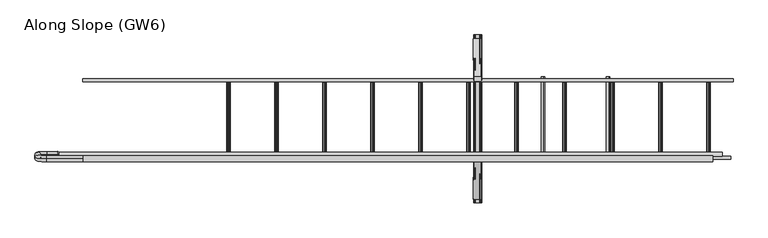
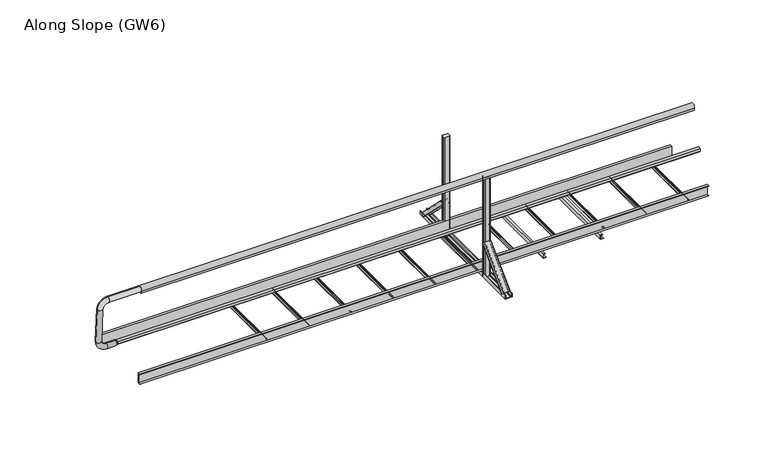
"""IFC4 building model written with IfcOpenShell, lengths in millimetres: proxy geometry, Along Slope (GW6)."""

from ifc_helpers import new_model, si_unit, point, frame, frame_2d, origin, place, context, project, spatial, polyline, circle_curve, ellipse_curve, trimmed, segment, composite_curve, outline, extrude, source, transform, mapped, element, save
from ifc_brep_helpers import plane_surface, cylinder_surface, revolved_surface, extruded_surface, advanced_brep


def along_slope_gw6_5baf0e17(model_context):
    return source(origin(), model_context, "Body", "SolidModel", [
        extrude(outline(polyline([(-34.5, 63.0), (-34.5, 66.0), (-12.5, 66.0), (-12.5, 160.0), (-34.5, 160.0), (-34.5, 163.0), (-9.5, 163.0), (-9.5, 63.0), (-34.5, 63.0)])), frame((0.0, 0.0, 0.0), z_axis=(1.0, 0.0, 0.0), x_axis=(0.0, 1.0, 0.0)), (0.0, 0.0, 1.0), 5400.0),
        advanced_brep(
        [(3320.1666667, -368.6980515, 38.0000003), (3255.1666667, -368.6980515, 38.0000003), (3255.1666667, -342.888654, 12.1906028), (3258.1666667, -342.888654, 12.1906028), (3258.1666667, -366.5767312, 35.87868), (3268.1666667, -366.5767312, 35.87868), (3268.1666667, -364.8089642, 34.110913), (3269.1666667, -364.8089642, 34.110913), (3269.1666667, -366.5767312, 35.87868), (3306.1666667, -366.5767312, 35.87868), (3306.1666667, -364.8089642, 34.110913), (3307.1666667, -364.8089642, 34.110913), (3307.1666667, -366.5767312, 35.87868), (3317.1666667, -366.5767312, 35.87868), (3317.1666667, -342.888654, 12.1906028), (3320.1666667, -342.888654, 12.1906028), (3323.1666667, -50.5, 356.1980519), (3323.1666667, -24.6906025, 330.3886543), (3320.1666667, -24.6906025, 330.3886543), (3320.1666667, -48.3786797, 354.0767315), (3310.1666667, -48.3786797, 354.0767315), (3310.1666667, -46.6109127, 352.3089646), (3309.1666667, -46.6109127, 352.3089646), (3309.1666667, -48.3786797, 354.0767315), (3272.1666667, -48.3786797, 354.0767315), (3272.1666667, -46.6109127, 352.3089646), (3271.1666667, -46.6109127, 352.3089646), (3271.1666667, -48.3786797, 354.0767315), (3261.1666667, -48.3786797, 354.0767315), (3261.1666667, -24.6906025, 330.3886543), (3258.1666667, -24.6906025, 330.3886543), (3258.1666667, -50.5, 356.1980519)],
        [
            (0, 1),
            (1, 2),
            (2, 3, circle_curve(frame((3256.6666667, -342.888654, 12.1906028), z_axis=(0.0, -0.7071067811865506, -0.7071067811865446), x_axis=(0.0, -0.7071067811865446, 0.7071067811865506)), 1.5)),
            (3, 4),
            (4, 5),
            (5, 6),
            (6, 7, circle_curve(frame((3268.6666667, -364.8089642, 34.110913), z_axis=(0.0, -0.7071067811865506, -0.7071067811865446), x_axis=(0.0, -0.7071067811865446, 0.7071067811865506)), 0.5)),
            (7, 8),
            (8, 9),
            (9, 10),
            (10, 11, circle_curve(frame((3306.6666667, -364.8089642, 34.110913), z_axis=(0.0, -0.7071067811865506, -0.7071067811865446), x_axis=(0.0, -0.7071067811865446, 0.7071067811865506)), 0.5)),
            (11, 12),
            (12, 13),
            (13, 14),
            (14, 15, circle_curve(frame((3318.6666667, -342.888654, 12.1906028), z_axis=(0.0, -0.7071067811865506, -0.7071067811865446), x_axis=(0.0, -0.7071067811865446, 0.7071067811865506)), 1.5)),
            (15, 0),
            (16, 17),
            (17, 18, circle_curve(frame((3321.6666667, -24.6906025, 330.3886543), z_axis=(0.0, 0.7071067811865506, 0.7071067811865446), x_axis=(0.0, -0.7071067811865446, 0.7071067811865506)), 1.5)),
            (18, 19),
            (19, 20),
            (20, 21),
            (21, 22, circle_curve(frame((3309.6666667, -46.6109127, 352.3089646), z_axis=(0.0, 0.7071067811865506, 0.7071067811865446), x_axis=(0.0, -0.7071067811865446, 0.7071067811865506)), 0.5)),
            (22, 23),
            (23, 24),
            (24, 25),
            (25, 26, circle_curve(frame((3271.6666667, -46.6109127, 352.3089646), z_axis=(0.0, 0.7071067811865506, 0.7071067811865446), x_axis=(0.0, -0.7071067811865446, 0.7071067811865506)), 0.5)),
            (26, 27),
            (27, 28),
            (28, 29),
            (29, 30, circle_curve(frame((3259.6666667, -24.6906025, 330.3886543), z_axis=(0.0, 0.7071067811865506, 0.7071067811865446), x_axis=(0.0, -0.7071067811865446, 0.7071067811865506)), 1.5)),
            (30, 31),
            (31, 16),
            (16, 0),
            (15, 17),
            (14, 18),
            (13, 19),
            (12, 20),
            (11, 21),
            (10, 22),
            (9, 23),
            (8, 24),
            (7, 25),
            (6, 26),
            (5, 27),
            (4, 28),
            (3, 29),
            (2, 30),
            (1, 31),
        ],
        [
            plane_surface(frame((3287.6666667, -360.4779352, 29.779884), z_axis=(0.0, -0.7071067811865502, -0.7071067811865449), x_axis=(0.0, 0.7071067811865449, -0.7071067811865502))),
            plane_surface(frame((3290.6666667, -42.2798837, 347.9779355), z_axis=(0.0, 0.7071067811865505, 0.7071067811865447), x_axis=(0.0, 0.7071067811865447, -0.7071067811865505))),
            plane_surface(frame((3323.1666667, -37.5953012, 343.2933531), z_axis=(0.9999777785184913, -0.004713940454838276, -0.004713940454838116), x_axis=(0.0, 0.7071067811865449, -0.7071067811865502))),
            extruded_surface(trimmed(circle_curve(frame((3318.6666667, -342.888654, 12.1906028), z_axis=(0.0, 0.7071067811865506, 0.7071067811865446), x_axis=(0.0, -0.7071067811865446, 0.7071067811865506)), 1.5), [point((3320.1666667, -342.888654, 12.1906028))], [point((3317.1666667, -342.888654, 12.1906028))], True, "CARTESIAN"), (3.0, 318.19805149999996, 318.19805149999996), 450.009999840885),
            plane_surface(frame((3320.1666667, -36.5346411, 342.2326929), z_axis=(-0.9999777785184911, 0.004713940454837886, 0.00471394045483772), x_axis=(0.0, -0.7071067811865445, 0.7071067811865506))),
            plane_surface(frame((3315.1666667, -48.3786797, 354.0767315), z_axis=(0.0, 0.7071067811865455, -0.7071067811865496), x_axis=(-1.0, 0.0, 0.0))),
            plane_surface(frame((3310.1666667, -47.4947962, 353.192848), z_axis=(0.9999777785184913, -0.004713940454838199, -0.0047139404548380325), x_axis=(0.0, 0.7071067811865445, -0.7071067811865507))),
            extruded_surface(trimmed(circle_curve(frame((3306.6666667, -364.8089642, 34.110913), z_axis=(0.0, 0.7071067811865506, 0.7071067811865446), x_axis=(0.0, -0.7071067811865446, 0.7071067811865506)), 0.5), [point((3307.1666667, -364.8089642, 34.110913))], [point((3306.1666667, -364.8089642, 34.110913))], True, "CARTESIAN"), (3.0, 318.1980515, 318.19805160000004), 450.00999991159415),
            plane_surface(frame((3309.1666667, -47.4947962, 353.192848), z_axis=(-0.9999777785184912, 0.004713940454838169, 0.0047139404548381045), x_axis=(0.0, -0.7071067811865521, 0.707106781186543))),
            plane_surface(frame((3290.6666667, -48.3786797, 354.0767315), z_axis=(0.0, 0.7071067811865461, -0.7071067811865491), x_axis=(-1.0, 0.0, 0.0))),
            plane_surface(frame((3272.1666667, -47.4947962, 353.192848), z_axis=(0.9999777785184911, -0.004713940454838164, -0.004713940454837987), x_axis=(0.0, 0.7071067811865436, -0.7071067811865515))),
            extruded_surface(trimmed(circle_curve(frame((3268.6666667, -364.8089642, 34.110913), z_axis=(0.0, 0.7071067811865506, 0.7071067811865446), x_axis=(0.0, -0.7071067811865446, 0.7071067811865506)), 0.5), [point((3269.1666667, -364.8089642, 34.110913))], [point((3268.1666667, -364.8089642, 34.110913))], True, "CARTESIAN"), (3.0, 318.1980515, 318.19805160000004), 450.00999991159415),
            plane_surface(frame((3271.1666667, -47.4947962, 353.192848), z_axis=(-0.9999777785184913, 0.004713940454838203, 0.004713940454838003), x_axis=(0.0, -0.7071067811865419, 0.7071067811865532))),
            plane_surface(frame((3266.1666667, -48.3786797, 354.0767315), z_axis=(0.0, 0.7071067811865461, -0.7071067811865491), x_axis=(-1.0, 0.0, 0.0))),
            plane_surface(frame((3261.1666667, -36.5346411, 342.2326929), z_axis=(0.9999777785184911, -0.004713940454838192, -0.004713940454838038), x_axis=(0.0, 0.7071067811865454, -0.7071067811865497))),
            extruded_surface(trimmed(circle_curve(frame((3256.6666667, -342.888654, 12.1906028), z_axis=(0.0, 0.7071067811865506, 0.7071067811865446), x_axis=(0.0, -0.7071067811865446, 0.7071067811865506)), 1.5), [point((3258.1666667, -342.888654, 12.1906028))], [point((3255.1666667, -342.888654, 12.1906028))], True, "CARTESIAN"), (3.0, 318.19805149999996, 318.19805149999996), 450.009999840885),
            plane_surface(frame((3258.1666667, -37.5953012, 343.2933531), z_axis=(-0.9999777785184911, 0.00471394045483825, 0.004713940454838091), x_axis=(0.0, -0.7071067811865449, 0.7071067811865501))),
            plane_surface(frame((3290.6666667, -50.5, 356.1980519), z_axis=(0.0, -0.7071067811865455, 0.7071067811865497), x_axis=(1.0, 0.0, 0.0))),
        ],
        [
            (0, [[1, 2, 3, 4, 5, 6, 7, 8, 9, 10, 11, 12, 13, 14, 15, 16]]),
            (1, [[17, 18, 19, 20, 21, 22, 23, 24, 25, 26, 27, 28, 29, 30, 31, 32]]),
            (2, [[33, -16, 34, -17]]),
            (3, [[-34, -15, 35, -18]]),
            (4, [[-35, -14, 36, -19]]),
            (5, [[-36, -13, 37, -20]]),
            (6, [[-37, -12, 38, -21]]),
            (7, [[-38, -11, 39, -22]]),
            (8, [[-39, -10, 40, -23]]),
            (9, [[-40, -9, 41, -24]]),
            (10, [[-41, -8, 42, -25]]),
            (11, [[-42, -7, 43, -26]]),
            (12, [[-43, -6, 44, -27]]),
            (13, [[-44, -5, 45, -28]]),
            (14, [[-45, -4, 46, -29]]),
            (15, [[-46, -3, 47, -30]]),
            (16, [[-47, -2, 48, -31]]),
            (17, [[-48, -1, -33, -32]]),
        ],
    ),
        extrude(outline(composite_curve([segment(polyline([(3313.6666667, -50.5), (3267.6666667, -50.5)]), True, "CONTINUOUS"), segment(trimmed(circle_curve(frame_2d((3267.6666667, -45.5)), 5.0), [point((3267.6666667, -50.5))], [point((3262.6666667, -45.5))], False, "CARTESIAN"), True, "CONTINUOUS"), segment(polyline([(3262.6666667, -45.5), (3262.6666667, -17.5)]), True, "CONTINUOUS"), segment(trimmed(circle_curve(frame_2d((3267.6666667, -17.5)), 5.0), [point((3262.6666667, -17.5))], [point((3267.6666667, -12.5))], False, "CARTESIAN"), True, "CONTINUOUS"), segment(polyline([(3267.6666667, -12.5), (3313.6666667, -12.5)]), True, "CONTINUOUS"), segment(trimmed(circle_curve(frame_2d((3313.6666667, -17.5)), 5.0), [point((3313.6666667, -12.5))], [point((3318.6666667, -17.5))], False, "CARTESIAN"), True, "CONTINUOUS"), segment(polyline([(3318.6666667, -17.5), (3318.6666667, -45.5)]), True, "CONTINUOUS"), segment(trimmed(circle_curve(frame_2d((3313.6666667, -45.5)), 5.0), [point((3318.6666667, -45.5))], [point((3313.6666667, -50.5))], False, "CARTESIAN"), True, "CONTINUOUS")], self_intersect=False)), frame((0.0, 0.0, 3e-07), z_axis=(0.0, 0.0, 1.0), x_axis=(1.0, 0.0, 0.0)), (0.0, 0.0, 1.0), 1003.0),
        extrude(outline(composite_curve([segment(polyline([(3313.6666667, 612.5), (3267.6666667, 612.5)]), True, "CONTINUOUS"), segment(trimmed(circle_curve(frame_2d((3267.6666667, 617.5)), 5.0), [point((3267.6666667, 612.5))], [point((3262.6666667, 617.5))], False, "CARTESIAN"), True, "CONTINUOUS"), segment(polyline([(3262.6666667, 617.5), (3262.6666667, 645.5)]), True, "CONTINUOUS"), segment(trimmed(circle_curve(frame_2d((3267.6666667, 645.5)), 5.0), [point((3262.6666667, 645.5))], [point((3267.6666667, 650.5))], False, "CARTESIAN"), True, "CONTINUOUS"), segment(polyline([(3267.6666667, 650.5), (3313.6666667, 650.5)]), True, "CONTINUOUS"), segment(trimmed(circle_curve(frame_2d((3313.6666667, 645.5)), 5.0), [point((3313.6666667, 650.5))], [point((3318.6666667, 645.5))], False, "CARTESIAN"), True, "CONTINUOUS"), segment(polyline([(3318.6666667, 645.5), (3318.6666667, 617.5)]), True, "CONTINUOUS"), segment(trimmed(circle_curve(frame_2d((3313.6666667, 617.5)), 5.0), [point((3318.6666667, 617.5))], [point((3313.6666667, 612.5))], False, "CARTESIAN"), True, "CONTINUOUS")], self_intersect=False)), frame((0.0, 0.0, 3e-07), z_axis=(0.0, 0.0, 1.0), x_axis=(1.0, 0.0, 0.0)), (0.0, 0.0, 1.0), 1003.0),
        advanced_brep(
        [(3255.1666667, 968.7087394, 38.0000003), (3320.1666667, 968.7087394, 38.0000003), (3320.1666667, 942.8993419, 12.1906028), (3317.1666667, 942.8993419, 12.1906028), (3317.1666667, 966.5874191, 35.87868), (3307.1666667, 966.5874191, 35.87868), (3307.1666667, 964.8196521, 34.110913), (3306.1666667, 964.8196521, 34.110913), (3306.1666667, 966.5874191, 35.87868), (3269.1666667, 966.5874191, 35.87868), (3269.1666667, 964.8196521, 34.110913), (3268.1666667, 964.8196521, 34.110913), (3268.1666667, 966.5874191, 35.87868), (3258.1666667, 966.5874191, 35.87868), (3258.1666667, 942.8993419, 12.1906028), (3255.1666667, 942.8993419, 12.1906028), (3258.1666667, 650.5106879, 356.1980519), (3258.1666667, 624.7012904, 330.3886543), (3261.1666667, 624.7012904, 330.3886543), (3261.1666667, 648.3893676, 354.0767315), (3271.1666667, 648.3893676, 354.0767315), (3271.1666667, 646.6216006, 352.3089646), (3272.1666667, 646.6216006, 352.3089646), (3272.1666667, 648.3893676, 354.0767315), (3309.1666667, 648.3893676, 354.0767315), (3309.1666667, 646.6216006, 352.3089646), (3310.1666667, 646.6216006, 352.3089646), (3310.1666667, 648.3893676, 354.0767315), (3320.1666667, 648.3893676, 354.0767315), (3320.1666667, 624.7012904, 330.3886543), (3323.1666667, 624.7012904, 330.3886543), (3323.1666667, 650.5106879, 356.1980519)],
        [
            (0, 1),
            (1, 2),
            (2, 3, circle_curve(frame((3318.6666667, 942.8993419, 12.1906028), z_axis=(0.0, 0.7071067811865432, -0.7071067811865519), x_axis=(0.0, -0.7071067811865519, -0.7071067811865432)), 1.5)),
            (3, 4),
            (4, 5),
            (5, 6),
            (6, 7, circle_curve(frame((3306.6666667, 964.8196521, 34.110913), z_axis=(0.0, 0.7071067811865432, -0.7071067811865519), x_axis=(0.0, -0.7071067811865519, -0.7071067811865432)), 0.5)),
            (7, 8),
            (8, 9),
            (9, 10),
            (10, 11, circle_curve(frame((3268.6666667, 964.8196521, 34.110913), z_axis=(0.0, 0.7071067811865432, -0.7071067811865519), x_axis=(0.0, -0.7071067811865519, -0.7071067811865432)), 0.5)),
            (11, 12),
            (12, 13),
            (13, 14),
            (14, 15, circle_curve(frame((3256.6666667, 942.8993419, 12.1906028), z_axis=(0.0, 0.7071067811865432, -0.7071067811865519), x_axis=(0.0, -0.7071067811865519, -0.7071067811865432)), 1.5)),
            (15, 0),
            (16, 17),
            (17, 18, circle_curve(frame((3259.6666667, 624.7012904, 330.3886543), z_axis=(0.0, -0.7071067811865432, 0.7071067811865519), x_axis=(0.0, -0.7071067811865519, -0.7071067811865432)), 1.5)),
            (18, 19),
            (19, 20),
            (20, 21),
            (21, 22, circle_curve(frame((3271.6666667, 646.6216006, 352.3089646), z_axis=(0.0, -0.7071067811865432, 0.7071067811865519), x_axis=(0.0, -0.7071067811865519, -0.7071067811865432)), 0.5)),
            (22, 23),
            (23, 24),
            (24, 25),
            (25, 26, circle_curve(frame((3309.6666667, 646.6216006, 352.3089646), z_axis=(0.0, -0.7071067811865432, 0.7071067811865519), x_axis=(0.0, -0.7071067811865519, -0.7071067811865432)), 0.5)),
            (26, 27),
            (27, 28),
            (28, 29),
            (29, 30, circle_curve(frame((3321.6666667, 624.7012904, 330.3886543), z_axis=(0.0, -0.7071067811865432, 0.7071067811865519), x_axis=(0.0, -0.7071067811865519, -0.7071067811865432)), 1.5)),
            (30, 31),
            (31, 16),
            (16, 0),
            (15, 17),
            (14, 18),
            (13, 19),
            (12, 20),
            (11, 21),
            (10, 22),
            (9, 23),
            (8, 24),
            (7, 25),
            (6, 26),
            (5, 27),
            (4, 28),
            (3, 29),
            (2, 30),
            (1, 31),
        ],
        [
            plane_surface(frame((3287.6666667, 960.4886231, 29.779884), z_axis=(0.0, 0.707106781186543, -0.7071067811865521), x_axis=(0.0, -0.7071067811865521, -0.707106781186543))),
            plane_surface(frame((3290.6666667, 642.2905716, 347.9779355), z_axis=(0.0, -0.7071067811865432, 0.7071067811865519), x_axis=(0.0, -0.7071067811865519, -0.7071067811865432))),
            plane_surface(frame((3258.1666667, 637.6059891, 343.2933531), z_axis=(-0.9999777785184912, -0.004713940454842057, 0.004713940454841993), x_axis=(0.0, -0.7071067811865521, -0.707106781186543))),
            extruded_surface(trimmed(circle_curve(frame((3256.6666667, 942.8993419, 12.1906028), z_axis=(0.0, -0.7071067811865432, 0.7071067811865519), x_axis=(0.0, -0.7071067811865519, -0.7071067811865432)), 1.5), [point((3255.1666667, 942.8993419, 12.1906028))], [point((3258.1666667, 942.8993419, 12.1906028))], True, "CARTESIAN"), (3.0, -318.1980515, 318.19805149999996), 450.009999840885),
            plane_surface(frame((3261.1666667, 636.545329, 342.2326929), z_axis=(0.9999777785184912, 0.004713940454842057, -0.004713940454841993), x_axis=(0.0, 0.7071067811865521, 0.707106781186543))),
            plane_surface(frame((3266.1666667, 648.3893676, 354.0767315), z_axis=(0.0, -0.7071067811865525, -0.7071067811865427), x_axis=(1.0, 0.0, 0.0))),
            plane_surface(frame((3271.1666667, 647.5054841, 353.192848), z_axis=(-0.9999777785184911, -0.004713940454842033, 0.004713940454842016), x_axis=(0.0, -0.7071067811865557, -0.7071067811865394))),
            extruded_surface(trimmed(circle_curve(frame((3268.6666667, 964.8196521, 34.110913), z_axis=(0.0, -0.7071067811865432, 0.7071067811865519), x_axis=(0.0, -0.7071067811865519, -0.7071067811865432)), 0.5), [point((3268.1666667, 964.8196521, 34.110913))], [point((3269.1666667, 964.8196521, 34.110913))], True, "CARTESIAN"), (3.0, -318.1980515, 318.19805160000004), 450.00999991159415),
            plane_surface(frame((3272.1666667, 647.5054841, 353.192848), z_axis=(0.9999777785184911, 0.004713940454842045, -0.004713940454842029), x_axis=(0.0, 0.7071067811865557, 0.7071067811865394))),
            plane_surface(frame((3290.6666667, 648.3893676, 354.0767315), z_axis=(0.0, -0.7071067811865525, -0.7071067811865427), x_axis=(1.0, 0.0, 0.0))),
            plane_surface(frame((3309.1666667, 647.5054841, 353.192848), z_axis=(-0.9999777785184911, -0.004713940454842039, 0.004713940454842022), x_axis=(0.0, -0.7071067811865557, -0.7071067811865394))),
            extruded_surface(trimmed(circle_curve(frame((3306.6666667, 964.8196521, 34.110913), z_axis=(0.0, -0.7071067811865432, 0.7071067811865519), x_axis=(0.0, -0.7071067811865519, -0.7071067811865432)), 0.5), [point((3306.1666667, 964.8196521, 34.110913))], [point((3307.1666667, 964.8196521, 34.110913))], True, "CARTESIAN"), (3.0, -318.1980515, 318.19805160000004), 450.00999991159415),
            plane_surface(frame((3310.1666667, 647.5054841, 353.192848), z_axis=(0.9999777785184911, 0.004713940454842066, -0.004713940454841994), x_axis=(0.0, 0.7071067811865515, 0.7071067811865436))),
            plane_surface(frame((3315.1666667, 648.3893676, 354.0767315), z_axis=(0.0, -0.7071067811865522, -0.707106781186543), x_axis=(1.0, 0.0, 0.0))),
            plane_surface(frame((3320.1666667, 636.545329, 342.2326929), z_axis=(-0.9999777785184911, -0.004713940454842064, 0.004713940454841998), x_axis=(0.0, -0.707106781186552, -0.7071067811865431))),
            extruded_surface(trimmed(circle_curve(frame((3318.6666667, 942.8993419, 12.1906028), z_axis=(0.0, -0.7071067811865432, 0.7071067811865519), x_axis=(0.0, -0.7071067811865519, -0.7071067811865432)), 1.5), [point((3317.1666667, 942.8993419, 12.1906028))], [point((3320.1666667, 942.8993419, 12.1906028))], True, "CARTESIAN"), (3.0, -318.1980515, 318.19805149999996), 450.009999840885),
            plane_surface(frame((3323.1666667, 637.6059891, 343.2933531), z_axis=(0.9999777785184913, 0.004713940454842066, -0.004713940454841998), x_axis=(0.0, 0.7071067811865519, 0.7071067811865432))),
            plane_surface(frame((3290.6666667, 650.5106879, 356.1980519), z_axis=(0.0, 0.7071067811865526, 0.7071067811865427), x_axis=(-1.0, 0.0, 0.0))),
        ],
        [
            (0, [[1, 2, 3, 4, 5, 6, 7, 8, 9, 10, 11, 12, 13, 14, 15, 16]]),
            (1, [[17, 18, 19, 20, 21, 22, 23, 24, 25, 26, 27, 28, 29, 30, 31, 32]]),
            (2, [[33, -16, 34, -17]]),
            (3, [[-34, -15, 35, -18]]),
            (4, [[-35, -14, 36, -19]]),
            (5, [[-36, -13, 37, -20]]),
            (6, [[-37, -12, 38, -21]]),
            (7, [[-38, -11, 39, -22]]),
            (8, [[-39, -10, 40, -23]]),
            (9, [[-40, -9, 41, -24]]),
            (10, [[-41, -8, 42, -25]]),
            (11, [[-42, -7, 43, -26]]),
            (12, [[-43, -6, 44, -27]]),
            (13, [[-44, -5, 45, -28]]),
            (14, [[-45, -4, 46, -29]]),
            (15, [[-46, -3, 47, -30]]),
            (16, [[-47, -2, 48, -31]]),
            (17, [[-48, -1, -33, -32]]),
        ],
    ),
        extrude(outline(composite_curve([segment(polyline([(3e-07, 3258.1666667), (3e-07, 3323.1666667), (36.5000003, 3323.1666667)]), True, "CONTINUOUS"), segment(trimmed(circle_curve(frame_2d((36.5000003, 3321.6666667)), 1.5), [point((36.5000003, 3323.1666667))], [point((36.5000003, 3320.1666667))], False, "CARTESIAN"), True, "CONTINUOUS"), segment(polyline([(36.5000003, 3320.1666667), (3.0000003, 3320.1666667), (3.0000003, 3310.1666667), (5.5000003, 3310.1666667)]), True, "CONTINUOUS"), segment(trimmed(circle_curve(frame_2d((5.5000003, 3309.6666667)), 0.5), [point((5.5000003, 3310.1666667))], [point((5.5000003, 3309.1666667))], False, "CARTESIAN"), True, "CONTINUOUS"), segment(polyline([(5.5000003, 3309.1666667), (3.0000003, 3309.1666667), (3.0000003, 3272.1666667), (5.5000003, 3272.1666667)]), True, "CONTINUOUS"), segment(trimmed(circle_curve(frame_2d((5.5000003, 3271.6666667)), 0.5), [point((5.5000003, 3272.1666667))], [point((5.5000003, 3271.1666667))], False, "CARTESIAN"), True, "CONTINUOUS"), segment(polyline([(5.5000003, 3271.1666667), (3.0000003, 3271.1666667), (3.0000003, 3261.1666667), (36.5000003, 3261.1666667)]), True, "CONTINUOUS"), segment(trimmed(circle_curve(frame_2d((36.5000003, 3259.6666667)), 1.5), [point((36.5000003, 3261.1666667))], [point((36.5000003, 3258.1666667))], False, "CARTESIAN"), True, "CONTINUOUS"), segment(polyline([(36.5000003, 3258.1666667), (3e-07, 3258.1666667)]), True, "CONTINUOUS")], self_intersect=False)), frame((0.0, -400.0, 0.0), z_axis=(0.0, 1.0, 0.0), x_axis=(0.0, 0.0, 1.0)), (0.0, 0.0, 1.0), 1400.0),
        advanced_brep(
        [(-200.0, 3.2, 513.0), (-200.0, 3.2, 553.0), (-210.0, 3.2, 508.0), (-210.0, 3.2, 558.0)],
        [
            (0, 1, circle_curve(frame((-200.0, 3.2, 533.0), z_axis=(1.0, 0.0, 0.0), x_axis=(0.0, 0.0, -1.0)), 20.0)),
            (1, 0, circle_curve(frame((-200.0, 3.2, 533.0), z_axis=(1.0, 0.0, 0.0), x_axis=(0.0, 0.0, 1.0)), 20.0)),
            (2, 3, circle_curve(frame((-210.0, 3.2, 533.0), z_axis=(-1.0, 0.0, 0.0), x_axis=(0.0, 0.0, 1.0)), 25.0)),
            (3, 2, circle_curve(frame((-210.0, 3.2, 533.0), z_axis=(-1.0, 0.0, 0.0), x_axis=(0.0, 0.0, -1.0)), 25.0)),
            (3, 1),
            (0, 2),
        ],
        [
            plane_surface(frame((-200.0, 3.2, 533.0), z_axis=(1.0, 0.0, 0.0), x_axis=(0.0, 1.0, 0.0))),
            plane_surface(frame((-210.0, 3.2, 533.0), z_axis=(-1.0, 0.0, 0.0), x_axis=(0.0, 1.0, 0.0))),
            revolved_surface(polyline([(-200.0, 3.2, 513.0), (-210.0, 3.2, 508.0)]), (-160.0, 3.2, 533.0), (-1.0, 0.0, 0.0)),
            revolved_surface(polyline([(-200.0, 3.2, 553.0), (-210.0, 3.2, 558.0)]), (-160.0, 3.2, 533.0), (-1.0, 0.0, 0.0)),
        ],
        [
            (0, [[1, 2]]),
            (1, [[3, 4]]),
            (2, [[-4, 5, -1, 6]]),
            (3, [[-3, -6, -2, -5]]),
        ],
    ),
        advanced_brep(
        [(0.0, -33.2768095, 1044.936779), (0.0, -29.7231905, 995.063221), (-300.0, -33.2768095, 1044.936779), (-300.0, -29.7231905, 995.063221), (-350.0, -26.1695715, 945.1896629), (-400.0, -26.1695715, 945.1896629), (-400.0, -2.1399996, 607.9446635), (-350.0, -2.1399996, 607.9446635), (-300.0, 1.4136194, 558.0711054), (-300.0, 4.9672384, 508.1975474), (-210.0, 4.9672384, 508.1975474), (-210.0, 1.4136194, 558.0711054)],
        [
            (0, 1, circle_curve(frame((0.0, -31.5, 1020.0), z_axis=(1.0, 0.0, 0.0), x_axis=(0.0, 0.07107238045512838, -0.9974711608545089)), 25.0)),
            (1, 0, circle_curve(frame((0.0, -31.5, 1020.0), z_axis=(1.0, 0.0, 0.0), x_axis=(0.0, 0.07107238045512838, -0.9974711608545089)), 25.0)),
            (0, 2),
            (2, 3, circle_curve(frame((-300.0, -31.5, 1020.0), z_axis=(1.0, 0.0, 0.0), x_axis=(0.0, 0.07107238045512838, -0.9974711608545089)), 25.0)),
            (3, 1),
            (3, 2, circle_curve(frame((-300.0, -31.5, 1020.0), z_axis=(1.0, 0.0, 0.0), x_axis=(0.0, 0.07107238045512838, -0.9974711608545089)), 25.0)),
            (4, 3, circle_curve(frame((-300.0, -26.1695715, 945.1896629), z_axis=(0.0, 0.9974711608545089, 0.07107238045512838), x_axis=(0.0, -0.07107238045512838, 0.9974711608545089)), 50.0)),
            (2, 5, circle_curve(frame((-300.0, -26.1695715, 945.1896629), z_axis=(0.0, -0.9974711608545089, -0.07107238045512838), x_axis=(0.0, -0.07107238045512838, 0.9974711608545089)), 100.0)),
            (5, 4, circle_curve(frame((-375.0, -26.1695715, 945.1896629), z_axis=(0.0, -0.07107238045512838, 0.9974711608545089), x_axis=(1.0000000000000002, 0.0, 0.0)), 25.0)),
            (4, 5, circle_curve(frame((-375.0, -26.1695715, 945.1896629), z_axis=(0.0, -0.07107238045512838, 0.9974711608545089), x_axis=(1.0000000000000002, 0.0, 0.0)), 25.0)),
            (5, 6),
            (6, 7, circle_curve(frame((-375.0, -2.1399996, 607.9446635), z_axis=(0.0, -0.07107238045512841, 0.997471160854509), x_axis=(1.0, 0.0, 0.0)), 25.0)),
            (7, 4),
            (7, 6, circle_curve(frame((-375.0, -2.1399996, 607.9446635), z_axis=(0.0, -0.07107238045512841, 0.997471160854509), x_axis=(1.0, 0.0, 0.0)), 25.0)),
            (8, 7, circle_curve(frame((-300.0, -2.1399996, 607.9446635), z_axis=(0.0, 0.9974711608545089, 0.07107238045512838), x_axis=(-1.0, 0.0, 0.0)), 50.0)),
            (6, 9, circle_curve(frame((-300.0, -2.1399996, 607.9446635), z_axis=(0.0, -0.9974711608545089, -0.07107238045512838), x_axis=(-1.0, 0.0, 0.0)), 100.0)),
            (9, 8, circle_curve(frame((-300.0, 3.1904289, 533.1343264), z_axis=(-1.0, 0.0, 0.0), x_axis=(0.0, -0.0710723804551284, 0.9974711608545089)), 25.0)),
            (8, 9, circle_curve(frame((-300.0, 3.1904289, 533.1343264), z_axis=(-1.0, 0.0, 0.0), x_axis=(0.0, -0.0710723804551284, 0.9974711608545089)), 25.0)),
            (10, 11, circle_curve(frame((-210.0, 3.1904289, 533.1343264), z_axis=(1.0, 0.0, 0.0), x_axis=(0.0, -0.07107238045512838, 0.9974711608545089)), 25.0)),
            (11, 10, circle_curve(frame((-210.0, 3.1904289, 533.1343264), z_axis=(1.0, 0.0, 0.0), x_axis=(0.0, -0.07107238045512838, 0.9974711608545089)), 25.0)),
            (9, 10),
            (11, 8),
        ],
        [
            plane_surface(frame((0.0, -33.2768095, 1044.936779), z_axis=(1.0, 0.0, 0.0), x_axis=(0.0, -0.9974711608545089, -0.07107238045512838))),
            cylinder_surface(frame((0.0, -31.5, 1020.0), z_axis=(1.0000000000000002, 0.0, 0.0), x_axis=(0.0, 0.07107238045512838, -0.9974711608545089)), 25.0),
            revolved_surface(trimmed(ellipse_curve(frame((-300.0, -31.5, 1020.0), z_axis=(1.0000000000000002, 0.0, 0.0), x_axis=(0.0, 0.07107238045512838, -0.9974711608545089)), 25.0, 25.0), [point((-300.0, -33.2768095, 1044.936779))], [point((-300.0, -29.7231905, 995.063221))], True, "CARTESIAN"), (-300.0, -26.1695715, 945.1896629), (0.0, -0.9974711608545089, -0.07107238045512838)),
            revolved_surface(trimmed(ellipse_curve(frame((-300.0, -31.5, 1020.0), z_axis=(1.0000000000000002, 0.0, 0.0), x_axis=(0.0, 0.07107238045512838, -0.9974711608545089)), 25.0, 25.0), [point((-300.0, -29.7231905, 995.063221))], [point((-300.0, -33.2768095, 1044.936779))], True, "CARTESIAN"), (-300.0, -26.1695715, 945.1896629), (0.0, -0.9974711608545089, -0.07107238045512838)),
            cylinder_surface(frame((-375.0, -26.1695715, 945.1896629), z_axis=(0.0, -0.0710723804551284, 0.9974711608545088), x_axis=(1.0, 0.0, 0.0)), 25.0),
            revolved_surface(trimmed(ellipse_curve(frame((-375.0, -2.1399996, 607.9446635), z_axis=(0.0, -0.07107238045512841, 0.9974711608545089), x_axis=(1.0, 0.0, 0.0)), 25.0, 25.0), [point((-400.0, -2.1399996, 607.9446635))], [point((-350.0, -2.1399996, 607.9446635))], True, "CARTESIAN"), (-300.0, -2.1399996, 607.9446635), (0.0, -0.9974711608545089, -0.07107238045512838)),
            revolved_surface(trimmed(ellipse_curve(frame((-375.0, -2.1399996, 607.9446635), z_axis=(0.0, -0.07107238045512841, 0.9974711608545089), x_axis=(1.0, 0.0, 0.0)), 25.0, 25.0), [point((-350.0, -2.1399996, 607.9446635))], [point((-400.0, -2.1399996, 607.9446635))], True, "CARTESIAN"), (-300.0, -2.1399996, 607.9446635), (0.0, -0.9974711608545089, -0.07107238045512838)),
            plane_surface(frame((-210.0, 4.9672384, 508.1975474), z_axis=(1.0, 0.0, 0.0), x_axis=(0.0, -0.9974711608545089, -0.07107238045512838))),
            cylinder_surface(frame((-300.0, 3.1904289, 533.1343264), z_axis=(-1.0, 0.0, 0.0), x_axis=(0.0, -0.07107238045512838, 0.9974711608545089)), 25.0),
        ],
        [
            (0, [[1, 2]]),
            (1, [[-1, 3, 4, 5]]),
            (1, [[-2, -5, 6, -3]]),
            (2, [[7, -4, 8, 9]]),
            (3, [[-8, -6, -7, 10]]),
            (4, [[-9, 11, 12, 13]]),
            (4, [[-10, -13, 14, -11]]),
            (5, [[15, -12, 16, 17]]),
            (6, [[-16, -14, -15, 18]]),
            (7, [[19, 20]]),
            (8, [[-17, 21, -20, 22]]),
            (8, [[-18, -22, -19, -21]]),
        ],
    ),
        extrude(outline(composite_curve([segment(polyline([(-10.5, 1006.43534), (-10.5, 988.0), (-11.5, 988.0), (-11.5, 1003.0), (-51.5, 1003.0), (-51.5, 988.0), (-52.5, 988.0), (-52.5, 1006.43534)]), True, "CONTINUOUS"), segment(trimmed(circle_curve(frame_2d((-31.5, 1020.0)), 25.0), [point((-52.5, 1006.43534))], [point((-10.5, 1006.43534))], False, "CARTESIAN"), True, "CONTINUOUS")], self_intersect=False)), frame((0.0, 0.0, 0.0), z_axis=(1.0, 0.0, 0.0), x_axis=(0.0, 1.0, 0.0)), (0.0, 0.0, 1.0), 5250.0),
        extrude(outline(composite_curve([segment(trimmed(circle_curve(frame_2d((3.212495, 533.0)), 20.0), [point((21.8, 525.617273))], [point((-12.5, 520.6259343))], False, "CARTESIAN"), True, "CONTINUOUS"), segment(polyline([(-12.5, 520.6259343), (-12.5, 545.3740657)]), True, "CONTINUOUS"), segment(trimmed(circle_curve(frame_2d((3.212495, 533.0)), 20.0), [point((-12.5, 545.3740657))], [point((21.8, 540.382727))], False, "CARTESIAN"), True, "CONTINUOUS"), segment(polyline([(21.8, 540.382727), (17.8, 540.382727), (17.8, 525.617273), (21.8, 525.617273)]), True, "CONTINUOUS")], self_intersect=False)), frame((-200.0, 0.0, 0.0), z_axis=(1.0, 0.0, 0.0), x_axis=(0.0, 1.0, 0.0)), (0.0, 0.0, 1.0), 5530.0),
        extrude(outline(polyline([(634.5, 63.0), (609.5, 63.0), (609.5, 163.0), (634.5, 163.0), (634.5, 160.0), (612.5, 160.0), (612.5, 66.0), (634.5, 66.0), (634.5, 63.0)])), frame((0.0, 0.0, 0.0), z_axis=(1.0, 0.0, 0.0), x_axis=(0.0, 1.0, 0.0)), (0.0, 0.0, 1.0), 5420.0),
        extrude(outline(polyline([(3e-07, 4393.2222222), (2.0000003, 4393.2222222), (2.0000003, 4365.2222222), (38.0000003, 4365.2222222), (38.0000003, 4383.2222222), (40.0000003, 4383.2222222), (40.0000003, 4363.2222222), (3e-07, 4363.2222222), (3e-07, 4393.2222222)])), frame((0.0, -50.0, 0.0), z_axis=(0.0, 1.0, 0.0), x_axis=(0.0, 0.0, 1.0)), (0.0, 0.0, 1.0), 700.0),
        extrude(outline(polyline([(3e-07, 3849.4444444), (2.0000003, 3849.4444444), (2.0000003, 3821.4444444), (38.0000003, 3821.4444444), (38.0000003, 3839.4444444), (40.0000003, 3839.4444444), (40.0000003, 3819.4444444), (3e-07, 3819.4444444), (3e-07, 3849.4444444)])), frame((0.0, -50.0, 0.0), z_axis=(0.0, 1.0, 0.0), x_axis=(0.0, 0.0, 1.0)), (0.0, 0.0, 1.0), 700.0),
        extrude(outline(composite_curve([segment(trimmed(circle_curve(frame_2d((62.9683907, 5223.75)), 6.25), [point((67.8614305, 5219.8614704))], [point((60.2402402, 5218.1268608))], False, "CARTESIAN"), True, "CONTINUOUS"), segment(trimmed(circle_curve(frame_2d((59.3468026, 5216.2853478)), 2.0468026), [point((60.2402402, 5218.1268608))], [point((57.3, 5216.2853478))], True, "CARTESIAN"), True, "CONTINUOUS"), segment(polyline([(57.3, 5216.2853478), (57.3, 5201.5)]), True, "CONTINUOUS"), segment(trimmed(circle_curve(frame_2d((55.8, 5201.5)), 1.5), [point((57.3, 5201.5))], [point((55.8, 5200.0))], False, "CARTESIAN"), True, "CONTINUOUS"), segment(polyline([(55.8, 5200.0), (55.0, 5200.0), (55.0, 5221.9783691)]), True, "CONTINUOUS"), segment(trimmed(circle_curve(frame_2d((64.084859, 5221.098018)), 9.1274138), [point((55.0, 5221.9783691))], [point((60.5433217, 5229.510342))], False, "CARTESIAN"), True, "CONTINUOUS"), segment(trimmed(circle_curve(frame_2d((62.9683907, 5223.75)), 6.25), [point((60.5433217, 5229.510342))], [point((67.8614305, 5227.6385296))], False, "CARTESIAN"), True, "CONTINUOUS"), segment(trimmed(circle_curve(frame_2d((67.2653483, 5227.1648193)), 0.7613904), [point((67.8614305, 5227.6385296))], [point((66.7916381, 5226.5687372))], False, "CARTESIAN"), True, "CONTINUOUS"), segment(trimmed(circle_curve(frame_2d((62.9683907, 5223.75)), 4.75), [point((66.7916381, 5226.5687372))], [point((66.7916381, 5220.9312628))], True, "CARTESIAN"), True, "CONTINUOUS"), segment(trimmed(circle_curve(frame_2d((67.2653483, 5220.3351807)), 0.7613904), [point((66.7916381, 5220.9312628))], [point((67.8614305, 5219.8614704))], False, "CARTESIAN"), True, "CONTINUOUS")], self_intersect=False)), frame((0.0, 0.0, 0.0), z_axis=(0.0, 1.0, 0.0), x_axis=(0.0, 0.0, 1.0)), (0.0, 0.0, 1.0), 600.0),
        extrude(outline(composite_curve([segment(trimmed(circle_curve(frame_2d((62.9683907, 4823.75)), 6.25), [point((67.8614305, 4819.8614704))], [point((60.2402402, 4818.1268608))], False, "CARTESIAN"), True, "CONTINUOUS"), segment(trimmed(circle_curve(frame_2d((59.3468026, 4816.2853478)), 2.0468026), [point((60.2402402, 4818.1268608))], [point((57.3, 4816.2853478))], True, "CARTESIAN"), True, "CONTINUOUS"), segment(polyline([(57.3, 4816.2853478), (57.3, 4801.5)]), True, "CONTINUOUS"), segment(trimmed(circle_curve(frame_2d((55.8, 4801.5)), 1.5), [point((57.3, 4801.5))], [point((55.8, 4800.0))], False, "CARTESIAN"), True, "CONTINUOUS"), segment(polyline([(55.8, 4800.0), (55.0, 4800.0), (55.0, 4821.9783691)]), True, "CONTINUOUS"), segment(trimmed(circle_curve(frame_2d((64.084859, 4821.098018)), 9.1274138), [point((55.0, 4821.9783691))], [point((60.5433217, 4829.510342))], False, "CARTESIAN"), True, "CONTINUOUS"), segment(trimmed(circle_curve(frame_2d((62.9683907, 4823.75)), 6.25), [point((60.5433217, 4829.510342))], [point((67.8614305, 4827.6385296))], False, "CARTESIAN"), True, "CONTINUOUS"), segment(trimmed(circle_curve(frame_2d((67.2653483, 4827.1648193)), 0.7613904), [point((67.8614305, 4827.6385296))], [point((66.7916381, 4826.5687372))], False, "CARTESIAN"), True, "CONTINUOUS"), segment(trimmed(circle_curve(frame_2d((62.9683907, 4823.75)), 4.75), [point((66.7916381, 4826.5687372))], [point((66.7916381, 4820.9312628))], True, "CARTESIAN"), True, "CONTINUOUS"), segment(trimmed(circle_curve(frame_2d((67.2653483, 4820.3351807)), 0.7613904), [point((66.7916381, 4820.9312628))], [point((67.8614305, 4819.8614704))], False, "CARTESIAN"), True, "CONTINUOUS")], self_intersect=False)), frame((0.0, 0.0, 0.0), z_axis=(0.0, 1.0, 0.0), x_axis=(0.0, 0.0, 1.0)), (0.0, 0.0, 1.0), 600.0),
        extrude(outline(composite_curve([segment(trimmed(circle_curve(frame_2d((62.9683907, 4423.75)), 6.25), [point((67.8614305, 4419.8614704))], [point((60.2402402, 4418.1268608))], False, "CARTESIAN"), True, "CONTINUOUS"), segment(trimmed(circle_curve(frame_2d((59.3468026, 4416.2853478)), 2.0468026), [point((60.2402402, 4418.1268608))], [point((57.3, 4416.2853478))], True, "CARTESIAN"), True, "CONTINUOUS"), segment(polyline([(57.3, 4416.2853478), (57.3, 4401.5)]), True, "CONTINUOUS"), segment(trimmed(circle_curve(frame_2d((55.8, 4401.5)), 1.5), [point((57.3, 4401.5))], [point((55.8, 4400.0))], False, "CARTESIAN"), True, "CONTINUOUS"), segment(polyline([(55.8, 4400.0), (55.0, 4400.0), (55.0, 4421.9783691)]), True, "CONTINUOUS"), segment(trimmed(circle_curve(frame_2d((64.084859, 4421.098018)), 9.1274138), [point((55.0, 4421.9783691))], [point((60.5433217, 4429.510342))], False, "CARTESIAN"), True, "CONTINUOUS"), segment(trimmed(circle_curve(frame_2d((62.9683907, 4423.75)), 6.25), [point((60.5433217, 4429.510342))], [point((67.8614305, 4427.6385296))], False, "CARTESIAN"), True, "CONTINUOUS"), segment(trimmed(circle_curve(frame_2d((67.2653483, 4427.1648193)), 0.7613904), [point((67.8614305, 4427.6385296))], [point((66.7916381, 4426.5687372))], False, "CARTESIAN"), True, "CONTINUOUS"), segment(trimmed(circle_curve(frame_2d((62.9683907, 4423.75)), 4.75), [point((66.7916381, 4426.5687372))], [point((66.7916381, 4420.9312628))], True, "CARTESIAN"), True, "CONTINUOUS"), segment(trimmed(circle_curve(frame_2d((67.2653483, 4420.3351807)), 0.7613904), [point((66.7916381, 4420.9312628))], [point((67.8614305, 4419.8614704))], False, "CARTESIAN"), True, "CONTINUOUS")], self_intersect=False)), frame((0.0, 0.0, 0.0), z_axis=(0.0, 1.0, 0.0), x_axis=(0.0, 0.0, 1.0)), (0.0, 0.0, 1.0), 600.0),
        extrude(outline(composite_curve([segment(trimmed(circle_curve(frame_2d((62.9683907, 4023.75)), 6.25), [point((67.8614305, 4019.8614704))], [point((60.2402402, 4018.1268608))], False, "CARTESIAN"), True, "CONTINUOUS"), segment(trimmed(circle_curve(frame_2d((59.3468026, 4016.2853478)), 2.0468026), [point((60.2402402, 4018.1268608))], [point((57.3, 4016.2853478))], True, "CARTESIAN"), True, "CONTINUOUS"), segment(polyline([(57.3, 4016.2853478), (57.3, 4001.5)]), True, "CONTINUOUS"), segment(trimmed(circle_curve(frame_2d((55.8, 4001.5)), 1.5), [point((57.3, 4001.5))], [point((55.8, 4000.0))], False, "CARTESIAN"), True, "CONTINUOUS"), segment(polyline([(55.8, 4000.0), (55.0, 4000.0), (55.0, 4021.9783691)]), True, "CONTINUOUS"), segment(trimmed(circle_curve(frame_2d((64.084859, 4021.098018)), 9.1274138), [point((55.0, 4021.9783691))], [point((60.5433217, 4029.510342))], False, "CARTESIAN"), True, "CONTINUOUS"), segment(trimmed(circle_curve(frame_2d((62.9683907, 4023.75)), 6.25), [point((60.5433217, 4029.510342))], [point((67.8614305, 4027.6385296))], False, "CARTESIAN"), True, "CONTINUOUS"), segment(trimmed(circle_curve(frame_2d((67.2653483, 4027.1648193)), 0.7613904), [point((67.8614305, 4027.6385296))], [point((66.7916381, 4026.5687372))], False, "CARTESIAN"), True, "CONTINUOUS"), segment(trimmed(circle_curve(frame_2d((62.9683907, 4023.75)), 4.75), [point((66.7916381, 4026.5687372))], [point((66.7916381, 4020.9312628))], True, "CARTESIAN"), True, "CONTINUOUS"), segment(trimmed(circle_curve(frame_2d((67.2653483, 4020.3351807)), 0.7613904), [point((66.7916381, 4020.9312628))], [point((67.8614305, 4019.8614704))], False, "CARTESIAN"), True, "CONTINUOUS")], self_intersect=False)), frame((0.0, 0.0, 0.0), z_axis=(0.0, 1.0, 0.0), x_axis=(0.0, 0.0, 1.0)), (0.0, 0.0, 1.0), 600.0),
        extrude(outline(composite_curve([segment(trimmed(circle_curve(frame_2d((62.9683907, 3623.75)), 6.25), [point((67.8614305, 3619.8614704))], [point((60.2402402, 3618.1268608))], False, "CARTESIAN"), True, "CONTINUOUS"), segment(trimmed(circle_curve(frame_2d((59.3468026, 3616.2853478)), 2.0468026), [point((60.2402402, 3618.1268608))], [point((57.3, 3616.2853478))], True, "CARTESIAN"), True, "CONTINUOUS"), segment(polyline([(57.3, 3616.2853478), (57.3, 3601.5)]), True, "CONTINUOUS"), segment(trimmed(circle_curve(frame_2d((55.8, 3601.5)), 1.5), [point((57.3, 3601.5))], [point((55.8, 3600.0))], False, "CARTESIAN"), True, "CONTINUOUS"), segment(polyline([(55.8, 3600.0), (55.0, 3600.0), (55.0, 3621.9783691)]), True, "CONTINUOUS"), segment(trimmed(circle_curve(frame_2d((64.084859, 3621.098018)), 9.1274138), [point((55.0, 3621.9783691))], [point((60.5433217, 3629.510342))], False, "CARTESIAN"), True, "CONTINUOUS"), segment(trimmed(circle_curve(frame_2d((62.9683907, 3623.75)), 6.25), [point((60.5433217, 3629.510342))], [point((67.8614305, 3627.6385296))], False, "CARTESIAN"), True, "CONTINUOUS"), segment(trimmed(circle_curve(frame_2d((67.2653483, 3627.1648193)), 0.7613904), [point((67.8614305, 3627.6385296))], [point((66.7916381, 3626.5687372))], False, "CARTESIAN"), True, "CONTINUOUS"), segment(trimmed(circle_curve(frame_2d((62.9683907, 3623.75)), 4.75), [point((66.7916381, 3626.5687372))], [point((66.7916381, 3620.9312628))], True, "CARTESIAN"), True, "CONTINUOUS"), segment(trimmed(circle_curve(frame_2d((67.2653483, 3620.3351807)), 0.7613904), [point((66.7916381, 3620.9312628))], [point((67.8614305, 3619.8614704))], False, "CARTESIAN"), True, "CONTINUOUS")], self_intersect=False)), frame((0.0, 0.0, 0.0), z_axis=(0.0, 1.0, 0.0), x_axis=(0.0, 0.0, 1.0)), (0.0, 0.0, 1.0), 600.0),
        extrude(outline(composite_curve([segment(trimmed(circle_curve(frame_2d((62.9683907, 3223.75)), 6.25), [point((67.8614305, 3219.8614704))], [point((60.2402402, 3218.1268608))], False, "CARTESIAN"), True, "CONTINUOUS"), segment(trimmed(circle_curve(frame_2d((59.3468026, 3216.2853478)), 2.0468026), [point((60.2402402, 3218.1268608))], [point((57.3, 3216.2853478))], True, "CARTESIAN"), True, "CONTINUOUS"), segment(polyline([(57.3, 3216.2853478), (57.3, 3201.5)]), True, "CONTINUOUS"), segment(trimmed(circle_curve(frame_2d((55.8, 3201.5)), 1.5), [point((57.3, 3201.5))], [point((55.8, 3200.0))], False, "CARTESIAN"), True, "CONTINUOUS"), segment(polyline([(55.8, 3200.0), (55.0, 3200.0), (55.0, 3221.9783691)]), True, "CONTINUOUS"), segment(trimmed(circle_curve(frame_2d((64.084859, 3221.098018)), 9.1274138), [point((55.0, 3221.9783691))], [point((60.5433217, 3229.510342))], False, "CARTESIAN"), True, "CONTINUOUS"), segment(trimmed(circle_curve(frame_2d((62.9683907, 3223.75)), 6.25), [point((60.5433217, 3229.510342))], [point((67.8614305, 3227.6385296))], False, "CARTESIAN"), True, "CONTINUOUS"), segment(trimmed(circle_curve(frame_2d((67.2653483, 3227.1648193)), 0.7613904), [point((67.8614305, 3227.6385296))], [point((66.7916381, 3226.5687372))], False, "CARTESIAN"), True, "CONTINUOUS"), segment(trimmed(circle_curve(frame_2d((62.9683907, 3223.75)), 4.75), [point((66.7916381, 3226.5687372))], [point((66.7916381, 3220.9312628))], True, "CARTESIAN"), True, "CONTINUOUS"), segment(trimmed(circle_curve(frame_2d((67.2653483, 3220.3351807)), 0.7613904), [point((66.7916381, 3220.9312628))], [point((67.8614305, 3219.8614704))], False, "CARTESIAN"), True, "CONTINUOUS")], self_intersect=False)), frame((0.0, 0.0, 0.0), z_axis=(0.0, 1.0, 0.0), x_axis=(0.0, 0.0, 1.0)), (0.0, 0.0, 1.0), 600.0),
        extrude(outline(composite_curve([segment(trimmed(circle_curve(frame_2d((62.9683907, 2823.75)), 6.25), [point((67.8614305, 2819.8614704))], [point((60.2402402, 2818.1268608))], False, "CARTESIAN"), True, "CONTINUOUS"), segment(trimmed(circle_curve(frame_2d((59.3468026, 2816.2853478)), 2.0468026), [point((60.2402402, 2818.1268608))], [point((57.3, 2816.2853478))], True, "CARTESIAN"), True, "CONTINUOUS"), segment(polyline([(57.3, 2816.2853478), (57.3, 2801.5)]), True, "CONTINUOUS"), segment(trimmed(circle_curve(frame_2d((55.8, 2801.5)), 1.5), [point((57.3, 2801.5))], [point((55.8, 2800.0))], False, "CARTESIAN"), True, "CONTINUOUS"), segment(polyline([(55.8, 2800.0), (55.0, 2800.0), (55.0, 2821.9783691)]), True, "CONTINUOUS"), segment(trimmed(circle_curve(frame_2d((64.084859, 2821.098018)), 9.1274138), [point((55.0, 2821.9783691))], [point((60.5433217, 2829.510342))], False, "CARTESIAN"), True, "CONTINUOUS"), segment(trimmed(circle_curve(frame_2d((62.9683907, 2823.75)), 6.25), [point((60.5433217, 2829.510342))], [point((67.8614305, 2827.6385296))], False, "CARTESIAN"), True, "CONTINUOUS"), segment(trimmed(circle_curve(frame_2d((67.2653483, 2827.1648193)), 0.7613904), [point((67.8614305, 2827.6385296))], [point((66.7916381, 2826.5687372))], False, "CARTESIAN"), True, "CONTINUOUS"), segment(trimmed(circle_curve(frame_2d((62.9683907, 2823.75)), 4.75), [point((66.7916381, 2826.5687372))], [point((66.7916381, 2820.9312628))], True, "CARTESIAN"), True, "CONTINUOUS"), segment(trimmed(circle_curve(frame_2d((67.2653483, 2820.3351807)), 0.7613904), [point((66.7916381, 2820.9312628))], [point((67.8614305, 2819.8614704))], False, "CARTESIAN"), True, "CONTINUOUS")], self_intersect=False)), frame((0.0, 0.0, 0.0), z_axis=(0.0, 1.0, 0.0), x_axis=(0.0, 0.0, 1.0)), (0.0, 0.0, 1.0), 600.0),
        extrude(outline(composite_curve([segment(trimmed(circle_curve(frame_2d((62.9683907, 2423.75)), 6.25), [point((67.8614305, 2419.8614704))], [point((60.2402402, 2418.1268608))], False, "CARTESIAN"), True, "CONTINUOUS"), segment(trimmed(circle_curve(frame_2d((59.3468026, 2416.2853478)), 2.0468026), [point((60.2402402, 2418.1268608))], [point((57.3, 2416.2853478))], True, "CARTESIAN"), True, "CONTINUOUS"), segment(polyline([(57.3, 2416.2853478), (57.3, 2401.5)]), True, "CONTINUOUS"), segment(trimmed(circle_curve(frame_2d((55.8, 2401.5)), 1.5), [point((57.3, 2401.5))], [point((55.8, 2400.0))], False, "CARTESIAN"), True, "CONTINUOUS"), segment(polyline([(55.8, 2400.0), (55.0, 2400.0), (55.0, 2421.9783691)]), True, "CONTINUOUS"), segment(trimmed(circle_curve(frame_2d((64.084859, 2421.098018)), 9.1274138), [point((55.0, 2421.9783691))], [point((60.5433217, 2429.510342))], False, "CARTESIAN"), True, "CONTINUOUS"), segment(trimmed(circle_curve(frame_2d((62.9683907, 2423.75)), 6.25), [point((60.5433217, 2429.510342))], [point((67.8614305, 2427.6385296))], False, "CARTESIAN"), True, "CONTINUOUS"), segment(trimmed(circle_curve(frame_2d((67.2653483, 2427.1648193)), 0.7613904), [point((67.8614305, 2427.6385296))], [point((66.7916381, 2426.5687372))], False, "CARTESIAN"), True, "CONTINUOUS"), segment(trimmed(circle_curve(frame_2d((62.9683907, 2423.75)), 4.75), [point((66.7916381, 2426.5687372))], [point((66.7916381, 2420.9312628))], True, "CARTESIAN"), True, "CONTINUOUS"), segment(trimmed(circle_curve(frame_2d((67.2653483, 2420.3351807)), 0.7613904), [point((66.7916381, 2420.9312628))], [point((67.8614305, 2419.8614704))], False, "CARTESIAN"), True, "CONTINUOUS")], self_intersect=False)), frame((0.0, 0.0, 0.0), z_axis=(0.0, 1.0, 0.0), x_axis=(0.0, 0.0, 1.0)), (0.0, 0.0, 1.0), 600.0),
        extrude(outline(composite_curve([segment(trimmed(circle_curve(frame_2d((62.9683907, 2023.75)), 6.25), [point((67.8614305, 2019.8614704))], [point((60.2402402, 2018.1268608))], False, "CARTESIAN"), True, "CONTINUOUS"), segment(trimmed(circle_curve(frame_2d((59.3468026, 2016.2853478)), 2.0468026), [point((60.2402402, 2018.1268608))], [point((57.3, 2016.2853478))], True, "CARTESIAN"), True, "CONTINUOUS"), segment(polyline([(57.3, 2016.2853478), (57.3, 2001.5)]), True, "CONTINUOUS"), segment(trimmed(circle_curve(frame_2d((55.8, 2001.5)), 1.5), [point((57.3, 2001.5))], [point((55.8, 2000.0))], False, "CARTESIAN"), True, "CONTINUOUS"), segment(polyline([(55.8, 2000.0), (55.0, 2000.0), (55.0, 2021.9783691)]), True, "CONTINUOUS"), segment(trimmed(circle_curve(frame_2d((64.084859, 2021.098018)), 9.1274138), [point((55.0, 2021.9783691))], [point((60.5433217, 2029.510342))], False, "CARTESIAN"), True, "CONTINUOUS"), segment(trimmed(circle_curve(frame_2d((62.9683907, 2023.75)), 6.25), [point((60.5433217, 2029.510342))], [point((67.8614305, 2027.6385296))], False, "CARTESIAN"), True, "CONTINUOUS"), segment(trimmed(circle_curve(frame_2d((67.2653483, 2027.1648193)), 0.7613904), [point((67.8614305, 2027.6385296))], [point((66.7916381, 2026.5687372))], False, "CARTESIAN"), True, "CONTINUOUS"), segment(trimmed(circle_curve(frame_2d((62.9683907, 2023.75)), 4.75), [point((66.7916381, 2026.5687372))], [point((66.7916381, 2020.9312628))], True, "CARTESIAN"), True, "CONTINUOUS"), segment(trimmed(circle_curve(frame_2d((67.2653483, 2020.3351807)), 0.7613904), [point((66.7916381, 2020.9312628))], [point((67.8614305, 2019.8614704))], False, "CARTESIAN"), True, "CONTINUOUS")], self_intersect=False)), frame((0.0, 0.0, 0.0), z_axis=(0.0, 1.0, 0.0), x_axis=(0.0, 0.0, 1.0)), (0.0, 0.0, 1.0), 600.0),
        extrude(outline(composite_curve([segment(trimmed(circle_curve(frame_2d((62.9683907, 1623.75)), 6.25), [point((67.8614305, 1619.8614704))], [point((60.2402402, 1618.1268608))], False, "CARTESIAN"), True, "CONTINUOUS"), segment(trimmed(circle_curve(frame_2d((59.3468026, 1616.2853478)), 2.0468026), [point((60.2402402, 1618.1268608))], [point((57.3, 1616.2853478))], True, "CARTESIAN"), True, "CONTINUOUS"), segment(polyline([(57.3, 1616.2853478), (57.3, 1601.5)]), True, "CONTINUOUS"), segment(trimmed(circle_curve(frame_2d((55.8, 1601.5)), 1.5), [point((57.3, 1601.5))], [point((55.8, 1600.0))], False, "CARTESIAN"), True, "CONTINUOUS"), segment(polyline([(55.8, 1600.0), (55.0, 1600.0), (55.0, 1621.9783691)]), True, "CONTINUOUS"), segment(trimmed(circle_curve(frame_2d((64.084859, 1621.098018)), 9.1274138), [point((55.0, 1621.9783691))], [point((60.5433217, 1629.510342))], False, "CARTESIAN"), True, "CONTINUOUS"), segment(trimmed(circle_curve(frame_2d((62.9683907, 1623.75)), 6.25), [point((60.5433217, 1629.510342))], [point((67.8614305, 1627.6385296))], False, "CARTESIAN"), True, "CONTINUOUS"), segment(trimmed(circle_curve(frame_2d((67.2653483, 1627.1648193)), 0.7613904), [point((67.8614305, 1627.6385296))], [point((66.7916381, 1626.5687372))], False, "CARTESIAN"), True, "CONTINUOUS"), segment(trimmed(circle_curve(frame_2d((62.9683907, 1623.75)), 4.75), [point((66.7916381, 1626.5687372))], [point((66.7916381, 1620.9312628))], True, "CARTESIAN"), True, "CONTINUOUS"), segment(trimmed(circle_curve(frame_2d((67.2653483, 1620.3351807)), 0.7613904), [point((66.7916381, 1620.9312628))], [point((67.8614305, 1619.8614704))], False, "CARTESIAN"), True, "CONTINUOUS")], self_intersect=False)), frame((0.0, 0.0, 0.0), z_axis=(0.0, 1.0, 0.0), x_axis=(0.0, 0.0, 1.0)), (0.0, 0.0, 1.0), 600.0),
        extrude(outline(composite_curve([segment(trimmed(circle_curve(frame_2d((62.9683907, 1223.75)), 6.25), [point((67.8614305, 1219.8614704))], [point((60.2402402, 1218.1268608))], False, "CARTESIAN"), True, "CONTINUOUS"), segment(trimmed(circle_curve(frame_2d((59.3468026, 1216.2853478)), 2.0468026), [point((60.2402402, 1218.1268608))], [point((57.3, 1216.2853478))], True, "CARTESIAN"), True, "CONTINUOUS"), segment(polyline([(57.3, 1216.2853478), (57.3, 1201.5)]), True, "CONTINUOUS"), segment(trimmed(circle_curve(frame_2d((55.8, 1201.5)), 1.5), [point((57.3, 1201.5))], [point((55.8, 1200.0))], False, "CARTESIAN"), True, "CONTINUOUS"), segment(polyline([(55.8, 1200.0), (55.0, 1200.0), (55.0, 1221.9783691)]), True, "CONTINUOUS"), segment(trimmed(circle_curve(frame_2d((64.084859, 1221.098018)), 9.1274138), [point((55.0, 1221.9783691))], [point((60.5433217, 1229.510342))], False, "CARTESIAN"), True, "CONTINUOUS"), segment(trimmed(circle_curve(frame_2d((62.9683907, 1223.75)), 6.25), [point((60.5433217, 1229.510342))], [point((67.8614305, 1227.6385296))], False, "CARTESIAN"), True, "CONTINUOUS"), segment(trimmed(circle_curve(frame_2d((67.2653483, 1227.1648193)), 0.7613904), [point((67.8614305, 1227.6385296))], [point((66.7916381, 1226.5687372))], False, "CARTESIAN"), True, "CONTINUOUS"), segment(trimmed(circle_curve(frame_2d((62.9683907, 1223.75)), 4.75), [point((66.7916381, 1226.5687372))], [point((66.7916381, 1220.9312628))], True, "CARTESIAN"), True, "CONTINUOUS"), segment(trimmed(circle_curve(frame_2d((67.2653483, 1220.3351807)), 0.7613904), [point((66.7916381, 1220.9312628))], [point((67.8614305, 1219.8614704))], False, "CARTESIAN"), True, "CONTINUOUS")], self_intersect=False)), frame((0.0, 0.0, 0.0), z_axis=(0.0, 1.0, 0.0), x_axis=(0.0, 0.0, 1.0)), (0.0, 0.0, 1.0), 600.0),
    ])


if __name__ == "__main__":
    model = new_model("IFC4")
    model_context = context("Model", 3, world=origin())
    ifc_project = project(units=[si_unit("LENGTHUNIT", "METRE", prefix="MILLI")], contexts=[model_context])
    site = spatial("IfcSite", under=ifc_project)
    building = spatial("IfcBuilding", under=site)
    placement = place(None, origin())
    along_slope_gw6_shape = along_slope_gw6_5baf0e17(model_context)
    element("IfcBuildingElementProxy", 1, Name="Along Slope (GW6)", ObjectType="Along Slope (GW6)", at=placement, inside=building, context=model_context, shape_type="MappedRepresentation", body=[
        mapped(along_slope_gw6_shape, transform((0.0, 0.0, 0.0), x_axis=(1.0, 0.0, 0.0), y_axis=(0.0, 1.0, 0.0), z_axis=(0.0, 0.0, 1.0))),
    ])
    save(model, "model.ifc")
